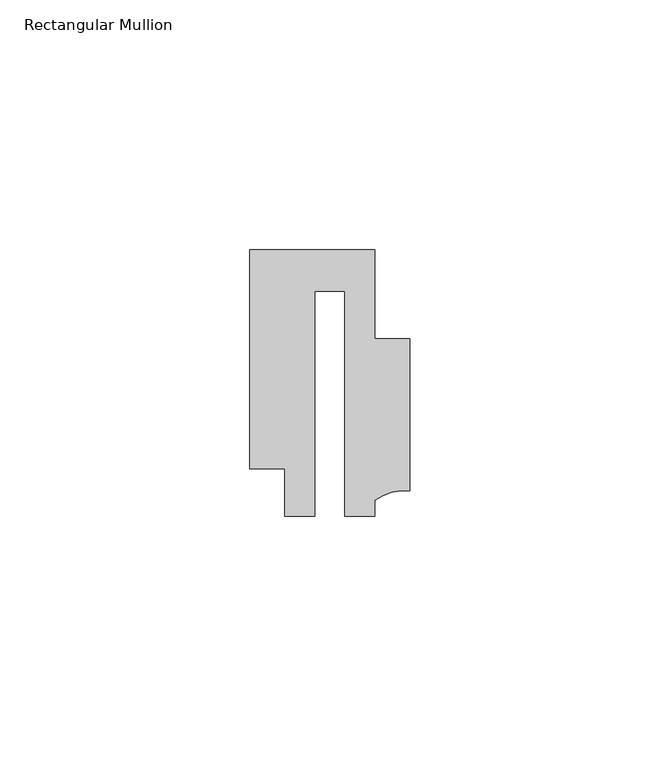
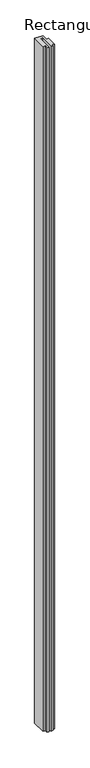
"""IFC4 building model written with IfcOpenShell, lengths in millimetres: member geometry, Rectangular Mullion."""

from ifc_helpers import new_model, si_unit, point, frame, frame_2d, origin, place, context, project, spatial, polyline, circle_curve, trimmed, segment, composite_curve, outline, extrude, source, transform, mapped, element, save


def rectangular_mullion_980253fa(model_context):
    return source(origin(), model_context, "Body", "SweptSolid", [
        extrude(outline(composite_curve([segment(polyline([(15.9999391, 14.9953356), (15.9999391, -15.3837352)]), True, "CONTINUOUS"), segment(trimmed(circle_curve(frame_2d((15.1098019, -25.802169)), 10.4563907), [point((15.9999391, -15.3837352))], [point((8.9999842, -17.3165203))], True, "CARTESIAN"), True, "CONTINUOUS"), segment(polyline([(8.9999842, -17.3165203), (8.9999842, -20.5039877), (2.9999676, -20.5039877), (2.9999676, 24.5130805), (-2.9999659, 24.5130805), (-2.9999659, -20.5039877), (-8.9999842, -20.5039877), (-8.9999842, -11.0039877), (-15.9999391, -11.0039877), (-15.9999391, 32.7960123), (9.0, 32.7960123), (9.0, 14.9953356), (15.9999391, 14.9953356)]), True, "CONTINUOUS")], self_intersect=False)), frame((0.0, 0.0, -2200.0), z_axis=(0.0, 0.0, 1.0), x_axis=(1.0, 0.0, 0.0)), (0.0, 0.0, 1.0), 2200.0),
    ])


if __name__ == "__main__":
    model = new_model("IFC4")
    model_context = context("Model", 3, world=origin())
    ifc_project = project(units=[si_unit("LENGTHUNIT", "METRE", prefix="MILLI")], contexts=[model_context])
    site = spatial("IfcSite", under=ifc_project)
    building = spatial("IfcBuilding", under=site)
    placement = place(None, origin())
    rectangular_mullion_shape = rectangular_mullion_980253fa(model_context)
    element("IfcMember", 1, ObjectType="Rectangular Mullion", at=placement, inside=building, context=model_context, shape_type="MappedRepresentation", body=[
        mapped(rectangular_mullion_shape, transform((0.0, 0.0, 0.0), x_axis=(1.0, 0.0, 0.0), y_axis=(0.0, 1.0, 0.0), z_axis=(0.0, 0.0, 1.0))),
    ])
    save(model, "model.ifc")
